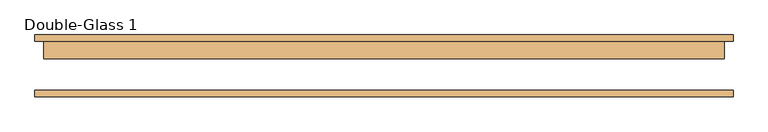
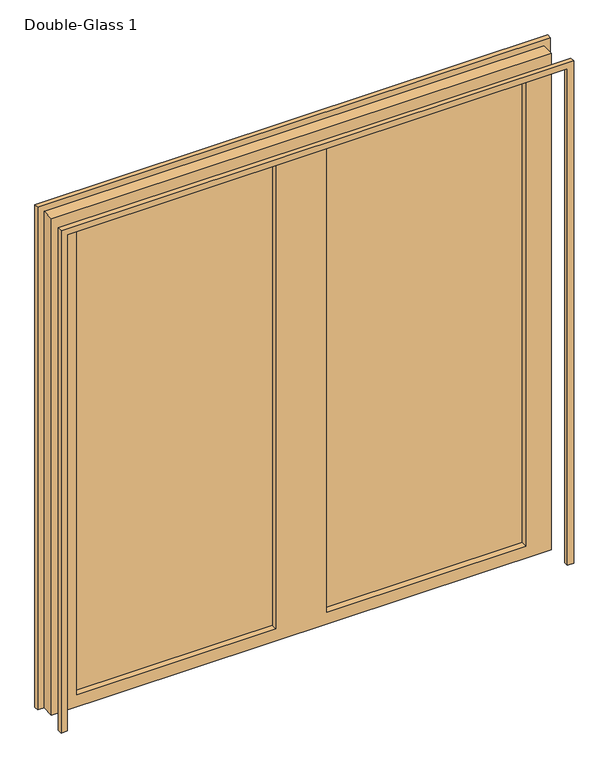
"""IFC4 building model written with IfcOpenShell, lengths in millimetres: door geometry, Double-Glass 1."""

from ifc_helpers import new_model, si_unit, frame, origin, place, context, project, spatial, polyline, outline, extrude, source, transform, mapped, element, save


def double_glass_1_5d90d1f2(model_context):
    return source(origin(), model_context, "Body", "SweptSolid", [
        extrude(outline(polyline([(0.0, 1025.4), (2125.4, 1025.4), (2125.4, -1025.4), (0.0, -1025.4), (0.0, -1000.0), (2100.0, -1000.0), (2100.0, 1000.0), (0.0, 1000.0), (0.0, 1025.4)])), frame((0.0, -88.10625, 0.0), z_axis=(0.0, 1.0, 0.0), x_axis=(0.0, 0.0, 1.0)), (0.0, 0.0, 1.0), 19.05),
        extrude(outline(polyline([(2100.0, 1000.0), (0.0, 1000.0), (0.0, 1025.4), (2125.4, 1025.4), (2125.4, -1025.4), (0.0, -1025.4), (0.0, -1000.0), (2100.0, -1000.0), (2100.0, 1000.0)])), frame((0.0, 73.81875, 0.0), z_axis=(0.0, 1.0, 0.0), x_axis=(0.0, 0.0, 1.0)), (0.0, 0.0, 1.0), 19.05),
        extrude(outline(polyline([(898.4, 48.41875), (101.6, 48.41875), (101.6, 55.5625), (898.4, 55.5625), (898.4, 48.41875)])), frame((0.0, 0.0, 50.0), z_axis=(0.0, 0.0, 1.0), x_axis=(1.0, 0.0, 0.0)), (0.0, 0.0, 1.0), 2000.0),
        extrude(outline(polyline([(-101.6, 48.41875), (-898.4, 48.41875), (-898.4, 55.5625), (-101.6, 55.5625), (-101.6, 48.41875)])), frame((0.0, 0.0, 50.0), z_axis=(0.0, 0.0, 1.0), x_axis=(1.0, 0.0, 0.0)), (0.0, 0.0, 1.0), 2000.0),
        extrude(outline(polyline([(2100.0, 1000.0), (2100.0, -1000.0), (0.0, -1000.0), (0.0, 1000.0), (2100.0, 1000.0)]), holes=[polyline([(2050.0, -101.6), (50.0, -101.6), (50.0, -898.4), (2050.0, -898.4), (2050.0, -101.6)]), polyline([(2050.0, 898.4), (50.0, 898.4), (50.0, 101.6), (2050.0, 101.6), (2050.0, 898.4)])]), frame((0.0, 23.01875, 0.0), z_axis=(0.0, 1.0, 0.0), x_axis=(0.0, 0.0, 1.0)), (0.0, 0.0, 1.0), 50.8),
    ])


if __name__ == "__main__":
    model = new_model("IFC4")
    model_context = context("Model", 3, world=origin())
    ifc_project = project(units=[si_unit("LENGTHUNIT", "METRE", prefix="MILLI")], contexts=[model_context])
    site = spatial("IfcSite", under=ifc_project)
    building = spatial("IfcBuilding", under=site)
    placement = place(None, origin())
    double_glass_1_shape = double_glass_1_5d90d1f2(model_context)
    element("IfcDoor", 1, ObjectType="Double-Glass 1", at=placement, inside=building, context=model_context, shape_type="MappedRepresentation", body=[
        mapped(double_glass_1_shape, transform((0.0, 0.0, 0.0), x_axis=(1.0, 0.0, 0.0), y_axis=(0.0, 1.0, 0.0), z_axis=(0.0, 0.0, 1.0))),
    ])
    save(model, "model.ifc")
